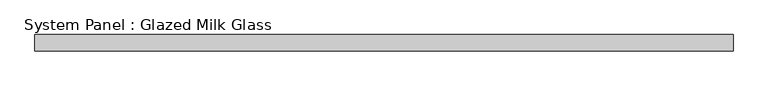
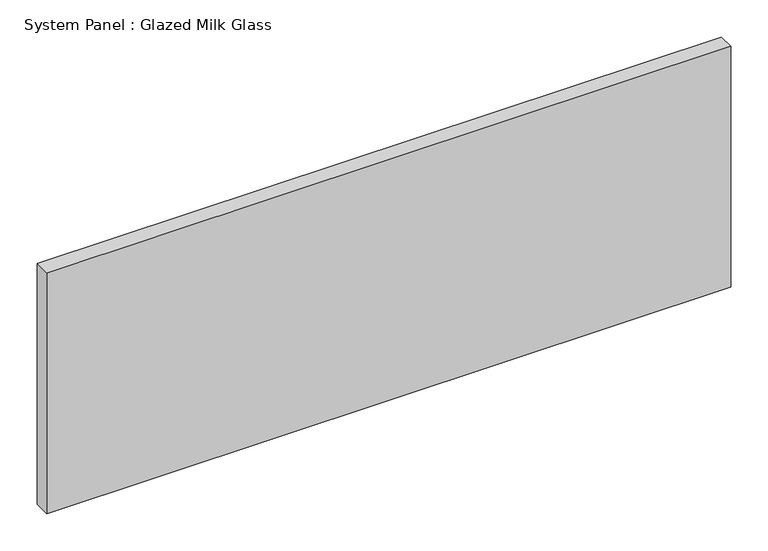
"""IFC4 building model written with IfcOpenShell, lengths in millimetres: plate geometry, System Panel : Glazed Milk Glass."""

from ifc_helpers import new_model, si_unit, origin, origin_with_axes, place, context, project, spatial, polyline, outline, extrude, source, transform, mapped, element, save


def system_panel_glazed_milk_glass_2a8e440f(model_context):
    return source(origin(), model_context, "Body", "SweptSolid", [
        extrude(outline(polyline([(530.35, -12.5), (-530.35, -12.5), (-530.35, 12.5), (530.35, 12.5), (530.35, -12.5)])), origin_with_axes(), (0.0, 0.0, 1.0), 395.0),
    ])


if __name__ == "__main__":
    model = new_model("IFC4")
    model_context = context("Model", 3, world=origin())
    ifc_project = project(units=[si_unit("LENGTHUNIT", "METRE", prefix="MILLI")], contexts=[model_context])
    site = spatial("IfcSite", under=ifc_project)
    building = spatial("IfcBuilding", under=site)
    placement = place(None, origin())
    system_panel_glazed_milk_glass_shape = system_panel_glazed_milk_glass_2a8e440f(model_context)
    element("IfcPlate", 1, ObjectType="System Panel : Glazed Milk Glass", at=placement, inside=building, context=model_context, shape_type="MappedRepresentation", body=[
        mapped(system_panel_glazed_milk_glass_shape, transform((0.0, 0.0, 0.0), x_axis=(1.0, 0.0, 0.0), y_axis=(0.0, 1.0, 0.0), z_axis=(0.0, 0.0, 1.0))),
    ])
    save(model, "model.ifc")
